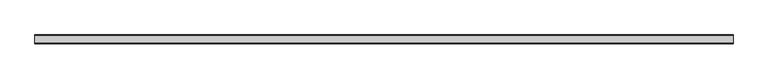
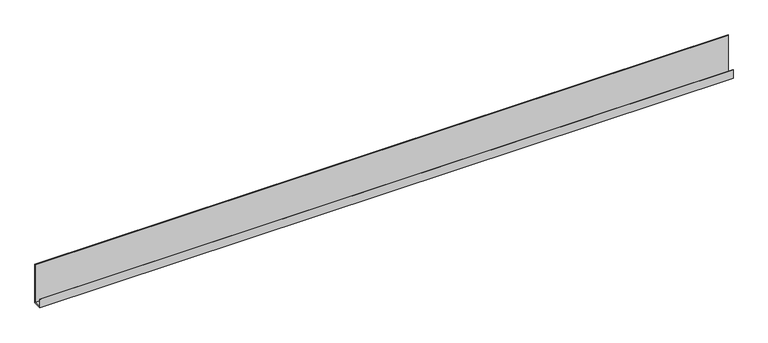
"""IFC4 building model written with IfcOpenShell, lengths in millimetres: proxy geometry."""

from ifc_helpers import new_model, si_unit, frame, origin, place, context, project, spatial, polyline, outline, extrude, source, transform, mapped, element, save


def generic_models_8b24cbe2(model_context):
    return source(origin(), model_context, "Body", "SweptSolid", [
        extrude(outline(polyline([(-7.5, -1.0), (-7.5, 14.0), (-6.5, 14.0), (-6.5, 0.0), (6.5, 0.0), (6.5, 69.0), (7.5, 69.0), (7.5, -1.0), (-7.5, -1.0)])), frame((0.0, 0.0, 0.0), z_axis=(1.0, 0.0, 0.0), x_axis=(0.0, 1.0, 0.0)), (0.0, 0.0, 1.0), 1200.0),
    ])


if __name__ == "__main__":
    model = new_model("IFC4")
    model_context = context("Model", 3, world=origin())
    ifc_project = project(units=[si_unit("LENGTHUNIT", "METRE", prefix="MILLI")], contexts=[model_context])
    site = spatial("IfcSite", under=ifc_project)
    building = spatial("IfcBuilding", under=site)
    placement = place(None, origin())
    generic_models_shape = generic_models_8b24cbe2(model_context)
    element("IfcBuildingElementProxy", 1, Name="Generic Models", at=placement, inside=building, context=model_context, shape_type="MappedRepresentation", body=[
        mapped(generic_models_shape, transform((0.0, 0.0, 0.0), x_axis=(1.0, 0.0, 0.0), y_axis=(0.0, 1.0, 0.0), z_axis=(0.0, 0.0, 1.0))),
    ])
    save(model, "model.ifc")
